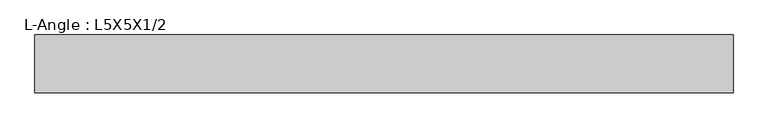
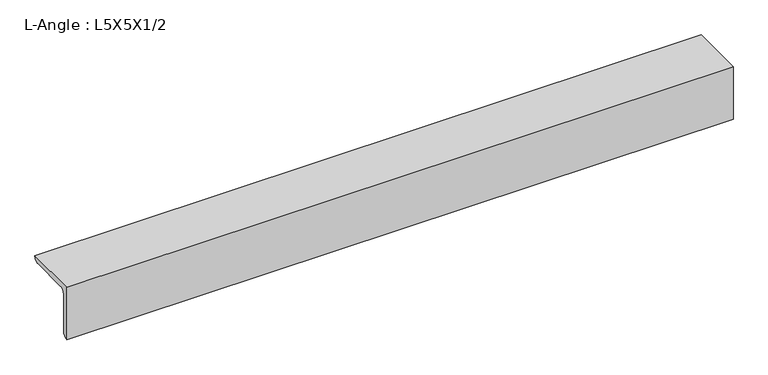
"""IFC4 building model written with IfcOpenShell, lengths in millimetres: beam geometry, L-Angle : L5X5X1/2."""

from ifc_helpers import new_model, si_unit, point, frame, frame_2d, origin, place, context, project, spatial, polyline, circle_curve, trimmed, segment, composite_curve, outline, extrude, source, transform, mapped, element, save


def l_angle_l5x5x1_2_dc8fabde(model_context):
    return source(origin(), model_context, "Body", "SweptSolid", [
        extrude(outline(composite_curve([segment(polyline([(-36.068, 36.068), (90.932, 36.068)]), True, "CONTINUOUS"), segment(trimmed(circle_curve(frame_2d((78.232, 36.068)), 12.7), [point((90.932, 36.068))], [point((78.232, 23.368))], False, "CARTESIAN"), True, "CONTINUOUS"), segment(polyline([(78.232, 23.368), (-10.668, 23.368)]), True, "CONTINUOUS"), segment(trimmed(circle_curve(frame_2d((-10.668, 10.668)), 12.7), [point((-10.668, 23.368))], [point((-23.368, 10.668))], True, "CARTESIAN"), True, "CONTINUOUS"), segment(polyline([(-23.368, 10.668), (-23.368, -78.232)]), True, "CONTINUOUS"), segment(trimmed(circle_curve(frame_2d((-36.068, -78.232)), 12.7), [point((-23.368, -78.232))], [point((-36.068, -90.932))], False, "CARTESIAN"), True, "CONTINUOUS"), segment(polyline([(-36.068, -90.932), (-36.068, 36.068)]), True, "CONTINUOUS")], self_intersect=False)), frame((-796.2065042, 0.0, 0.0), z_axis=(1.0, 0.0, 0.0), x_axis=(0.0, 1.0, 0.0)), (0.0, 0.0, 1.0), 1528.2449468),
    ])


if __name__ == "__main__":
    model = new_model("IFC4")
    model_context = context("Model", 3, world=origin())
    ifc_project = project(units=[si_unit("LENGTHUNIT", "METRE", prefix="MILLI")], contexts=[model_context])
    site = spatial("IfcSite", under=ifc_project)
    building = spatial("IfcBuilding", under=site)
    placement = place(None, origin())
    l_angle_l5x5x1_2_shape = l_angle_l5x5x1_2_dc8fabde(model_context)
    element("IfcBeam", 1, ObjectType="L-Angle : L5X5X1/2", at=placement, inside=building, context=model_context, shape_type="MappedRepresentation", body=[
        mapped(l_angle_l5x5x1_2_shape, transform((0.0, 0.0, 0.0), x_axis=(1.0, 0.0, 0.0), y_axis=(0.0, 1.0, 0.0), z_axis=(0.0, 0.0, 1.0))),
    ])
    save(model, "model.ifc")
